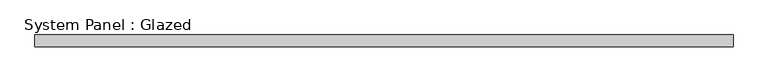
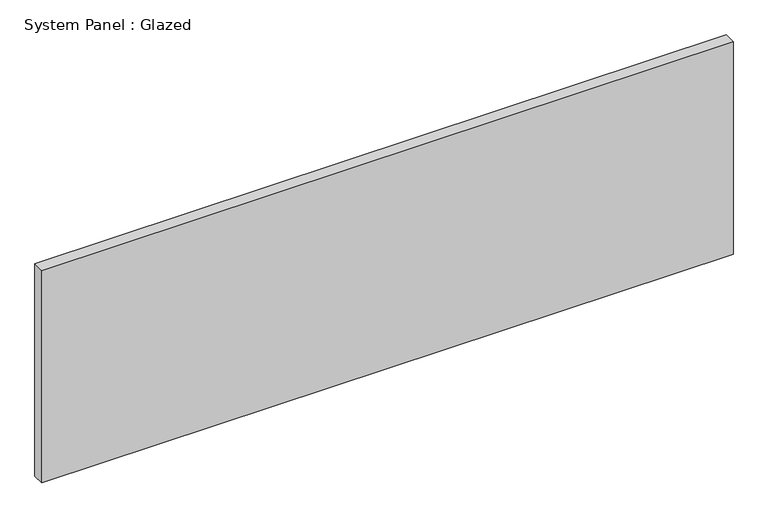
"""IFC4 building model written with IfcOpenShell, lengths in millimetres: plate geometry, System Panel : Glazed."""

from ifc_helpers import new_model, si_unit, origin, origin_with_axes, place, context, project, spatial, polyline, outline, extrude, source, transform, mapped, element, save


def system_panel_glazed_201b99b2(model_context):
    return source(origin(), model_context, "Body", "SweptSolid", [
        extrude(outline(polyline([(733.425, -12.7), (-733.425, -12.7), (-733.425, 12.7), (733.425, 12.7), (733.425, -12.7)])), origin_with_axes(), (0.0, 0.0, 1.0), 476.25),
    ])


if __name__ == "__main__":
    model = new_model("IFC4")
    model_context = context("Model", 3, world=origin())
    ifc_project = project(units=[si_unit("LENGTHUNIT", "METRE", prefix="MILLI")], contexts=[model_context])
    site = spatial("IfcSite", under=ifc_project)
    building = spatial("IfcBuilding", under=site)
    placement = place(None, origin())
    system_panel_glazed_shape = system_panel_glazed_201b99b2(model_context)
    element("IfcPlate", 1, ObjectType="System Panel : Glazed", at=placement, inside=building, context=model_context, shape_type="MappedRepresentation", body=[
        mapped(system_panel_glazed_shape, transform((0.0, 0.0, 0.0), x_axis=(1.0, 0.0, 0.0), y_axis=(0.0, 1.0, 0.0), z_axis=(0.0, 0.0, 1.0))),
    ])
    save(model, "model.ifc")
